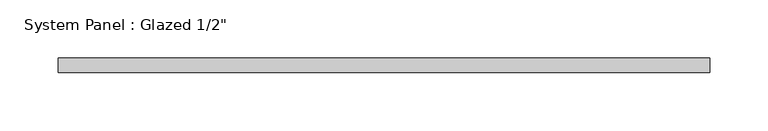
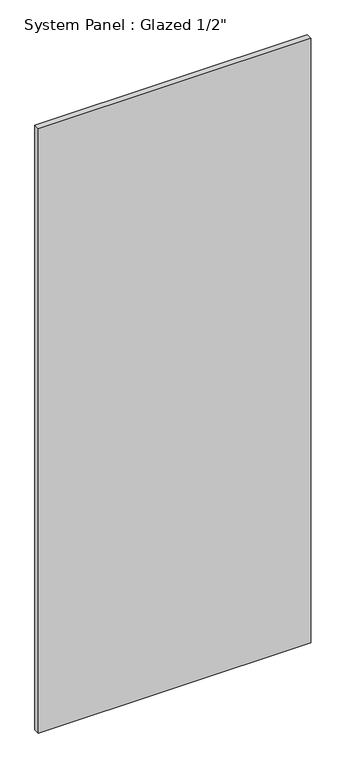
"""IFC4 building model written with IfcOpenShell, lengths in millimetres: plate geometry."""

from ifc_helpers import new_model, si_unit, origin, origin_with_axes, place, context, project, spatial, polyline, outline, extrude, source, transform, mapped, element, save


def plate_7f34320b(model_context):
    return source(origin(), model_context, "Body", "SweptSolid", [
        extrude(outline(polyline([(280.1504402, -6.35), (-280.1504402, -6.35), (-280.1504402, 6.35), (280.1504402, 6.35), (280.1504402, -6.35)])), origin_with_axes(), (0.0, 0.0, 1.0), 1315.7025574),
    ])


if __name__ == "__main__":
    model = new_model("IFC4")
    model_context = context("Model", 3, world=origin())
    ifc_project = project(units=[si_unit("LENGTHUNIT", "METRE", prefix="MILLI")], contexts=[model_context])
    site = spatial("IfcSite", under=ifc_project)
    building = spatial("IfcBuilding", under=site)
    placement = place(None, origin())
    plate_shape = plate_7f34320b(model_context)
    element("IfcPlate", 1, ObjectType="System Panel : Glazed 1/2\"", at=placement, inside=building, context=model_context, shape_type="MappedRepresentation", body=[
        mapped(plate_shape, transform((0.0, 0.0, 0.0), x_axis=(1.0, 0.0, 0.0), y_axis=(0.0, 1.0, 0.0), z_axis=(0.0, 0.0, 1.0))),
    ])
    save(model, "model.ifc")
